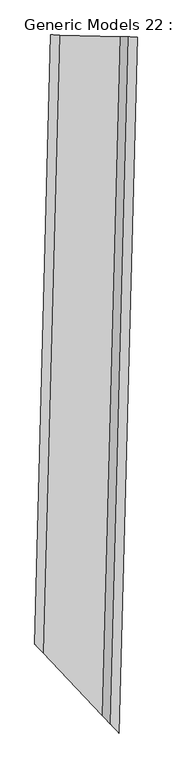
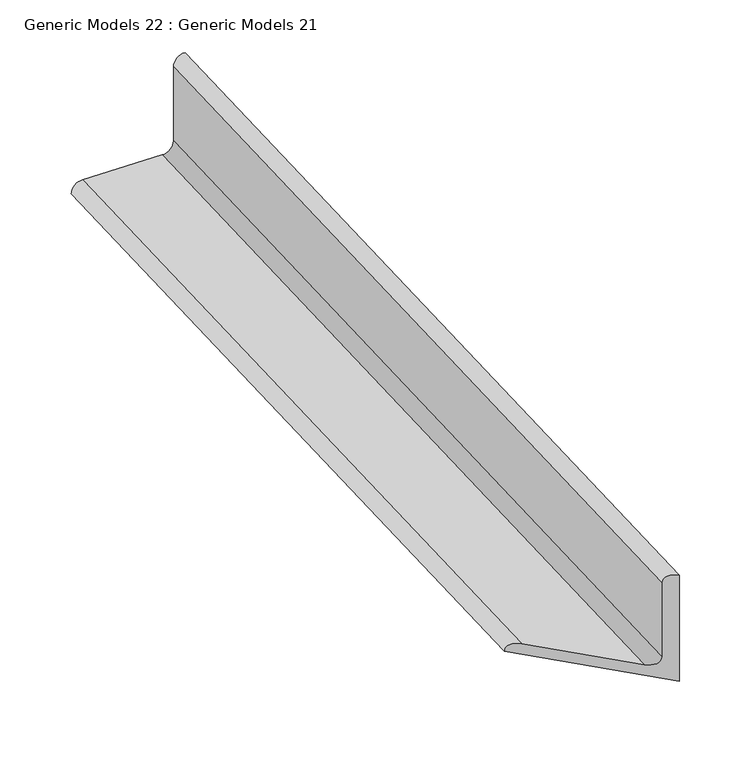
"""IFC4 building model written with IfcOpenShell, lengths in millimetres: proxy geometry, Generic Models 22 : Generic Models 21."""

from ifc_helpers import new_model, si_unit, frame, origin, place, context, project, spatial, polyline, circle_curve, ellipse_curve, source, transform, mapped, element, save
from ifc_brep_helpers import plane_surface, cylinder_surface, revolved_surface, advanced_brep


def generic_models_22_generic_models_21_9cce206f(model_context):
    return source(origin(), model_context, "Body", "AdvancedBrep", [
        advanced_brep(
        [(111669.4194918, 56793.8871271, 16634.46), (111542.4630115, 56797.2115996, 16634.46), (111555.1586595, 56796.8791523, 16647.16), (111644.0281957, 56794.5520216, 16647.16), (111656.7238437, 56794.2195744, 16659.86), (111656.7238437, 56794.2195744, 16748.76), (111669.4194918, 56793.8871271, 16761.46), (111642.7445605, 55775.2125994, 16634.46), (111519.1125526, 55905.4935521, 16634.46), (111531.4757534, 55892.4654568, 16647.16), (111618.0181589, 55801.2687899, 16647.16), (111630.3813597, 55788.2406946, 16659.86), (111630.3813597, 55788.2406946, 16748.76), (111642.7445605, 55775.2125994, 16761.46)],
        [
            (0, 1),
            (1, 2, circle_curve(frame((111555.1586595, 56796.8791523, 16634.46), z_axis=(0.026176948307886267, 0.9996573249755569, 0.0), x_axis=(-0.9996573249755569, 0.026176948307886267, 0.0)), 12.7)),
            (2, 3),
            (3, 4, circle_curve(frame((111644.0281957, 56794.5520216, 16659.86), z_axis=(-0.026176948307886267, -0.9996573249755569, 0.0), x_axis=(-0.9996573249755569, 0.026176948307886267, 0.0)), 12.7)),
            (4, 5),
            (5, 6, circle_curve(frame((111669.4194918, 56793.8871271, 16748.76), z_axis=(0.026176948307886267, 0.9996573249755569, 0.0), x_axis=(-0.9996573249755569, 0.026176948307886267, 0.0)), 12.7)),
            (6, 0),
            (0, 7),
            (7, 8),
            (8, 1),
            (8, 9, ellipse_curve(frame((111531.4757534, 55892.4654568, 16634.46), z_axis=(0.7253743710122956, 0.6883545756937456, 0.0), x_axis=(0.6883545756937456, -0.7253743710122955, 0.0)), 17.9605122, 12.7)),
            (9, 2),
            (9, 10),
            (10, 3),
            (10, 11, ellipse_curve(frame((111618.0181589, 55801.2687899, 16659.86), z_axis=(-0.7253743710122956, -0.6883545756937456, 0.0), x_axis=(-0.6883545756937456, 0.7253743710122955, 0.0)), 17.9605122, 12.7)),
            (11, 4),
            (11, 12),
            (12, 5),
            (12, 13, ellipse_curve(frame((111642.7445605, 55775.2125994, 16748.76), z_axis=(0.7253743710122956, 0.6883545756937456, 0.0), x_axis=(0.6883545756937456, -0.7253743710122955, 0.0)), 17.9605122, 12.7)),
            (13, 6),
            (13, 7),
        ],
        [
            plane_surface(frame((111669.4194918, 56793.8871271, 16634.46), z_axis=(0.026176948307886267, 0.9996573249755569, 0.0), x_axis=(0.0, 0.0, 1.0))),
            plane_surface(frame((111514.8698903, 55743.4728133, 16634.46), z_axis=(0.0, 0.0, -1.0), x_axis=(0.02617694830787948, 0.9996573249755571, 0.0))),
            cylinder_surface(frame((111527.5655383, 55743.1403661, 16634.46), z_axis=(-0.026176948307886267, -0.9996573249755569, 0.0), x_axis=(-0.9996573249755569, 0.026176948307886267, 0.0)), 12.7),
            plane_surface(frame((111616.4350745, 55740.8132354, 16647.16), z_axis=(0.0, 0.0, 1.0), x_axis=(0.02617694830787948, 0.9996573249755571, 0.0))),
            revolved_surface(polyline([(111631.33254768378, 56794.88446888602, 16659.86), (111604.99006363709, 55788.90558908724, 16659.86)]), (111616.4350745, 55740.8132354, 16659.86), (0.026176948307886267, 0.9996573249755569, 0.0)),
            plane_surface(frame((111629.1307225, 55740.4807881, 16748.76), z_axis=(-0.9996573249755571, 0.02617694830787948, 0.0), x_axis=(0.02617694830787948, 0.9996573249755571, 0.0))),
            cylinder_surface(frame((111641.8263705, 55740.1483409, 16748.76), z_axis=(-0.026176948307886267, -0.9996573249755569, 0.0), x_axis=(-0.9996573249755569, 0.026176948307886267, 0.0)), 12.7),
            plane_surface(frame((111641.8263705, 55740.1483409, 16634.46), z_axis=(0.9996573249755571, -0.02617694830787948, 0.0), x_axis=(0.02617694830787948, 0.9996573249755571, 0.0))),
            plane_surface(frame((111107.9002434, 56338.8209108, 16992.4753484), z_axis=(-0.7253743710122956, -0.6883545756937456, 0.0), x_axis=(0.6883545756937456, -0.7253743710122956, 0.0))),
        ],
        [
            (0, [[1, 2, 3, 4, 5, 6, 7]]),
            (1, [[-1, 8, 9, 10]]),
            (2, [[-2, -10, 11, 12]]),
            (3, [[-3, -12, 13, 14]]),
            (4, [[-4, -14, 15, 16]]),
            (5, [[-5, -16, 17, 18]]),
            (6, [[-6, -18, 19, 20]]),
            (7, [[-7, -20, 21, -8]]),
            (8, [[-9, -21, -19, -17, -15, -13, -11]]),
        ],
    ),
    ])


if __name__ == "__main__":
    model = new_model("IFC4")
    model_context = context("Model", 3, world=origin())
    ifc_project = project(units=[si_unit("LENGTHUNIT", "METRE", prefix="MILLI")], contexts=[model_context])
    site = spatial("IfcSite", under=ifc_project)
    building = spatial("IfcBuilding", under=site)
    placement = place(None, origin())
    generic_models_22_generic_models_21_shape = generic_models_22_generic_models_21_9cce206f(model_context)
    element("IfcBuildingElementProxy", 1, Name="Generic Models 22 : Generic Models 21", ObjectType="Generic Models 22 : Generic Models 21", at=placement, inside=building, context=model_context, shape_type="MappedRepresentation", body=[
        mapped(generic_models_22_generic_models_21_shape, transform((0.0, 0.0, 0.0), x_axis=(1.0, 0.0, 0.0), y_axis=(0.0, 1.0, 0.0), z_axis=(0.0, 0.0, 1.0))),
    ])
    save(model, "model.ifc")
